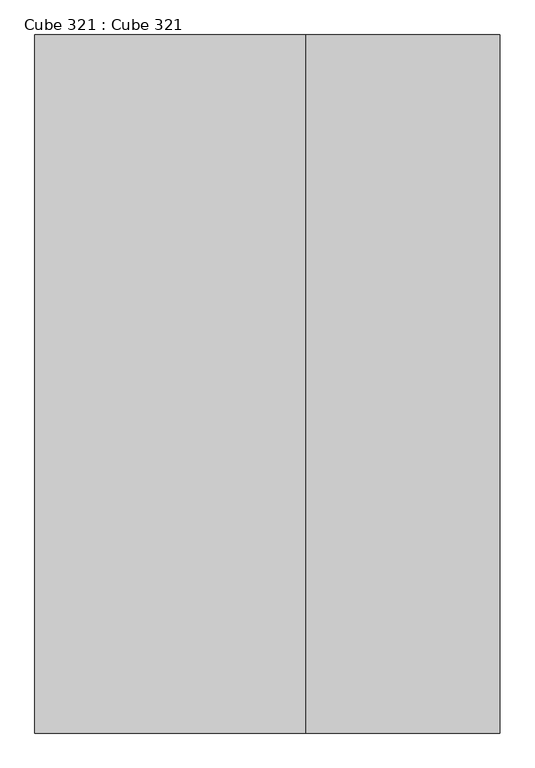
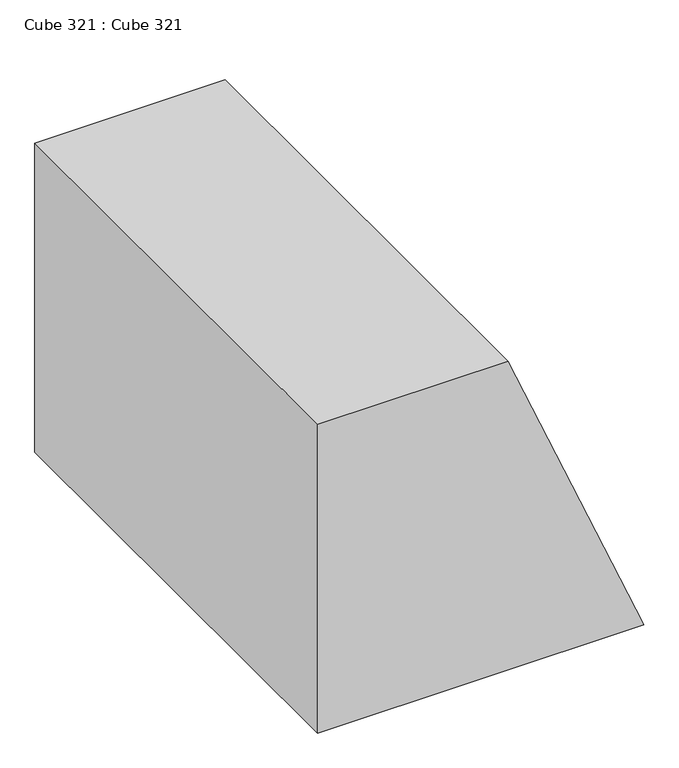
"""IFC4 building model written with IfcOpenShell, lengths in millimetres: proxy geometry, Cube 321 : Cube 321."""

from ifc_helpers import new_model, si_unit, frame, origin, place, context, project, spatial, polyline, outline, extrude, source, transform, mapped, element, save


def cube_321_cube_321_2590ae92(model_context):
    return source(origin(), model_context, "Body", "SweptSolid", [
        extrude(outline(polyline([(3657.5993299, -21945.6020594), (0.0, -21945.6020594), (0.0, -18288.002491), (3657.5993299, -19812.00249), (3657.5993299, -21945.6020594)])), frame((0.0, 0.0, 0.0), z_axis=(0.0, 1.0, 0.0), x_axis=(0.0, 0.0, 1.0)), (0.0, 0.0, 1.0), 5486.4),
    ])


if __name__ == "__main__":
    model = new_model("IFC4")
    model_context = context("Model", 3, world=origin())
    ifc_project = project(units=[si_unit("LENGTHUNIT", "METRE", prefix="MILLI")], contexts=[model_context])
    site = spatial("IfcSite", under=ifc_project)
    building = spatial("IfcBuilding", under=site)
    placement = place(None, origin())
    cube_321_cube_321_shape = cube_321_cube_321_2590ae92(model_context)
    element("IfcBuildingElementProxy", 1, Name="Cube 321 : Cube 321", ObjectType="Cube 321 : Cube 321", at=placement, inside=building, context=model_context, shape_type="MappedRepresentation", body=[
        mapped(cube_321_cube_321_shape, transform((0.0, 0.0, 0.0), x_axis=(1.0, 0.0, 0.0), y_axis=(0.0, 1.0, 0.0), z_axis=(0.0, 0.0, 1.0))),
    ])
    save(model, "model.ifc")
